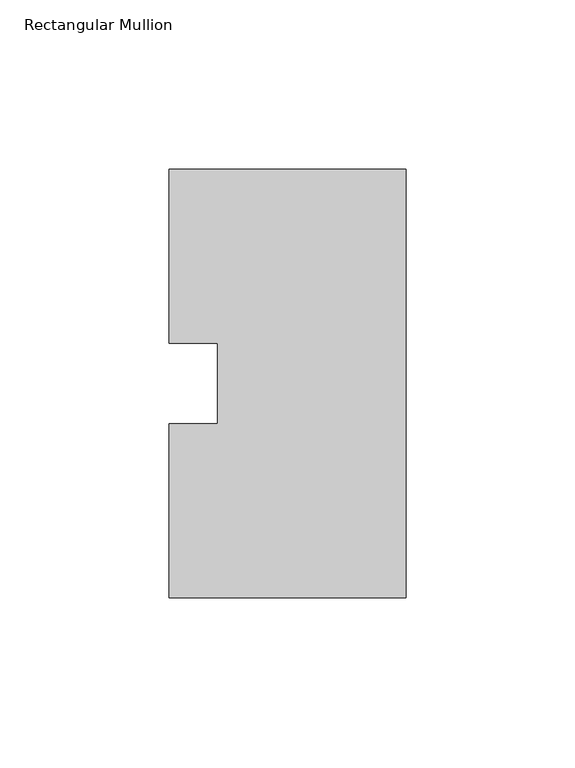
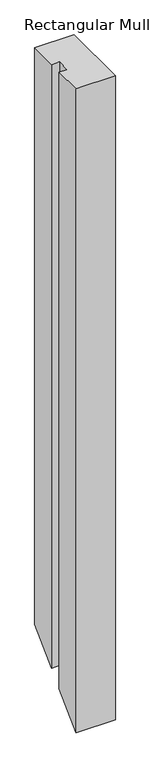
"""IFC4 building model written with IfcOpenShell, lengths in millimetres: member geometry, Rectangular Mullion."""

from ifc_helpers import new_model, si_unit, origin, place, context, project, spatial, faceted_brep, source, transform, mapped, element, save


def rectangular_mullion_c3d5c2a1(model_context):
    return source(origin(), model_context, "Body", "Brep", [
        faceted_brep([(-69.85, 0.26035, 0.0), (0.0, 0.26035, 0.0), (0.0, 126.75235, 0.0), (-69.85, 126.75235, 0.0), (-69.85, 75.40625, 0.0), (-55.5625, 75.40625, 0.0), (-55.5625, 51.60645, 0.0), (-69.85, 51.60645, 0.0), (-69.85, 0.26035, -1206.246), (0.0, 0.26035, -1206.246), (0.0, 126.75235, -1079.754), (-69.85, 126.75235, -1079.754), (-69.85, 75.40625, -1131.1001), (-55.5625, 75.40625, -1131.1001), (-55.5625, 51.60645, -1154.8999), (-69.85, 51.60645, -1154.8999)], [[[0, 1, 2, 3, 4, 5, 6, 7]], [[1, 0, 8, 9]], [[2, 1, 9, 10]], [[3, 2, 10, 11]], [[4, 3, 11, 12]], [[5, 4, 12, 13]], [[6, 5, 13, 14]], [[7, 6, 14, 15]], [[0, 7, 15, 8]], [[8, 15, 14, 13, 12, 11, 10, 9]]]),
    ])


if __name__ == "__main__":
    model = new_model("IFC4")
    model_context = context("Model", 3, world=origin())
    ifc_project = project(units=[si_unit("LENGTHUNIT", "METRE", prefix="MILLI")], contexts=[model_context])
    site = spatial("IfcSite", under=ifc_project)
    building = spatial("IfcBuilding", under=site)
    placement = place(None, origin())
    rectangular_mullion_shape = rectangular_mullion_c3d5c2a1(model_context)
    element("IfcMember", 1, ObjectType="Rectangular Mullion", at=placement, inside=building, context=model_context, shape_type="MappedRepresentation", body=[
        mapped(rectangular_mullion_shape, transform((0.0, 0.0, 0.0), x_axis=(1.0, 0.0, 0.0), y_axis=(0.0, 1.0, 0.0), z_axis=(0.0, 0.0, 1.0))),
    ])
    save(model, "model.ifc")
